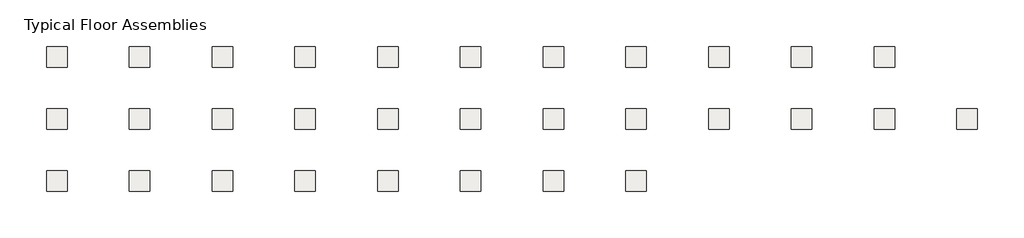
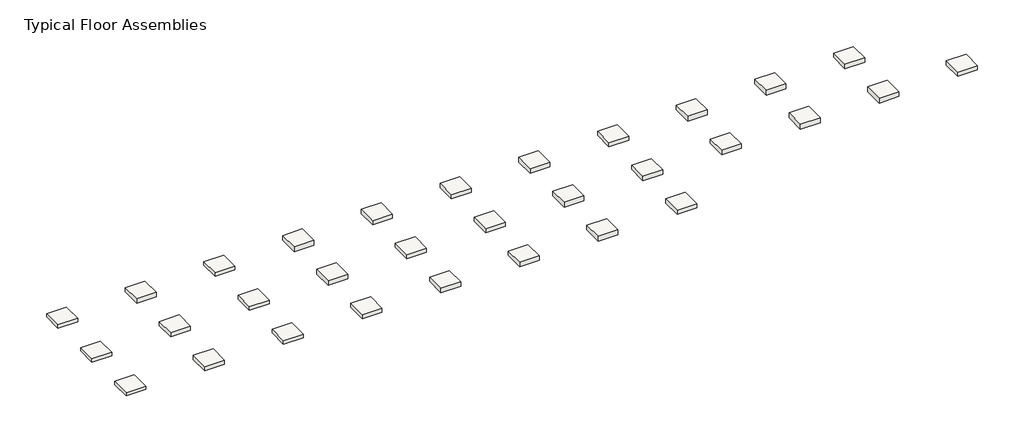
# One storey: 31 slabs.
"""IFC4 building model written with IfcOpenShell, lengths in millimetres."""

from ifc_helpers import new_model, si_unit, frame, origin, place, context, project, spatial, polyline, outline, extrude, element, save

model = new_model("IFC4")

# Units and contexts
model_context = context("Model", 3, world=origin())
ifc_project = project(units=[si_unit("LENGTHUNIT", "METRE", prefix="MILLI")], contexts=[model_context])

# Site, building, storey
site = spatial("IfcSite", under=ifc_project)
building = spatial("IfcBuilding", under=site)
storey = spatial("IfcBuildingStorey", under=building, Name="Typical Floor Assemblies", Elevation=3048.0)

# Slabs
placement = place(None, origin())
element("IfcSlab", 1, at=placement, inside=storey, context=model_context, shape_type="SweptSolid", body=[
    extrude(outline(polyline([(-20016.9713536, 9609.8857866), (-18492.9713536, 9609.8857866), (-18492.9713536, 8085.8857866), (-20016.9713536, 8085.8857866), (-20016.9713536, 9609.8857866)])), frame((0.0, 0.0, 2781.2999989), z_axis=(0.0, 0.0, 1.0), x_axis=(1.0, 0.0, 0.0)), (0.0, 0.0, 1.0), 266.7000011),
])
element("IfcSlab", 2, at=placement, inside=storey, context=model_context, shape_type="SweptSolid", body=[
    extrude(outline(polyline([(-13920.9713536, 9609.8857866), (-12396.9713536, 9609.8857866), (-12396.9713536, 8085.8857866), (-13920.9713536, 8085.8857866), (-13920.9713536, 9609.8857866)])), frame((0.0, 0.0, 2705.0999989), z_axis=(0.0, 0.0, 1.0), x_axis=(1.0, 0.0, 0.0)), (0.0, 0.0, 1.0), 342.9000011),
])
element("IfcSlab", 3, at=placement, inside=storey, context=model_context, shape_type="SweptSolid", body=[
    extrude(outline(polyline([(-7824.9713536, 9609.8857866), (-6300.9713536, 9609.8857866), (-6300.9713536, 8085.8857866), (-7824.9713536, 8085.8857866), (-7824.9713536, 9609.8857866)])), frame((0.0, 0.0, 2755.8999958), z_axis=(0.0, 0.0, 1.0), x_axis=(1.0, 0.0, 0.0)), (0.0, 0.0, 1.0), 292.1000042),
])
element("IfcSlab", 4, at=placement, inside=storey, context=model_context, shape_type="SweptSolid", body=[
    extrude(outline(polyline([(-1728.9713536, 9609.8857866), (-204.9713536, 9609.8857866), (-204.9713536, 8085.8857866), (-1728.9713536, 8085.8857866), (-1728.9713536, 9609.8857866)])), frame((0.0, 0.0, 2654.2999928), z_axis=(0.0, 0.0, 1.0), x_axis=(1.0, 0.0, 0.0)), (0.0, 0.0, 1.0), 393.7000072),
])
element("IfcSlab", 5, at=placement, inside=storey, context=model_context, shape_type="SweptSolid", body=[
    extrude(outline(polyline([(4367.0286464, 9609.8857866), (5891.0286464, 9609.8857866), (5891.0286464, 8085.8857866), (4367.0286464, 8085.8857866), (4367.0286464, 9609.8857866)])), frame((0.0, 0.0, 2705.0999989), z_axis=(0.0, 0.0, 1.0), x_axis=(1.0, 0.0, 0.0)), (0.0, 0.0, 1.0), 342.9000011),
])
element("IfcSlab", 6, at=placement, inside=storey, context=model_context, shape_type="SweptSolid", body=[
    extrude(outline(polyline([(10463.0286464, 9609.8857866), (11987.0286464, 9609.8857866), (11987.0286464, 8085.8857866), (10463.0286464, 8085.8857866), (10463.0286464, 9609.8857866)])), frame((0.0, 0.0, 2705.0999989), z_axis=(0.0, 0.0, 1.0), x_axis=(1.0, 0.0, 0.0)), (0.0, 0.0, 1.0), 342.9000011),
])
element("IfcSlab", 7, at=placement, inside=storey, context=model_context, shape_type="SweptSolid", body=[
    extrude(outline(polyline([(16559.0286464, 9609.8857866), (18083.0286464, 9609.8857866), (18083.0286464, 8085.8857866), (16559.0286464, 8085.8857866), (16559.0286464, 9609.8857866)])), frame((0.0, 0.0, 2654.2999928), z_axis=(0.0, 0.0, 1.0), x_axis=(1.0, 0.0, 0.0)), (0.0, 0.0, 1.0), 393.7000072),
])
element("IfcSlab", 8, at=placement, inside=storey, context=model_context, shape_type="SweptSolid", body=[
    extrude(outline(polyline([(22655.0286464, 9609.8857866), (24179.0286464, 9609.8857866), (24179.0286464, 8085.8857866), (22655.0286464, 8085.8857866), (22655.0286464, 9609.8857866)])), frame((0.0, 0.0, 2705.0999989), z_axis=(0.0, 0.0, 1.0), x_axis=(1.0, 0.0, 0.0)), (0.0, 0.0, 1.0), 342.9000011),
])
element("IfcSlab", 9, at=placement, inside=storey, context=model_context, shape_type="SweptSolid", body=[
    extrude(outline(polyline([(28751.0286464, 9609.8857866), (30275.0286464, 9609.8857866), (30275.0286464, 8085.8857866), (28751.0286464, 8085.8857866), (28751.0286464, 9609.8857866)])), frame((0.0, 0.0, 2654.2999928), z_axis=(0.0, 0.0, 1.0), x_axis=(1.0, 0.0, 0.0)), (0.0, 0.0, 1.0), 393.7000072),
])
element("IfcSlab", 10, at=placement, inside=storey, context=model_context, shape_type="SweptSolid", body=[
    extrude(outline(polyline([(34847.0286464, 9609.8857866), (36371.0286464, 9609.8857866), (36371.0286464, 8085.8857866), (34847.0286464, 8085.8857866), (34847.0286464, 9609.8857866)])), frame((0.0, 0.0, 2654.2999928), z_axis=(0.0, 0.0, 1.0), x_axis=(1.0, 0.0, 0.0)), (0.0, 0.0, 1.0), 393.7000072),
])
element("IfcSlab", 11, at=placement, inside=storey, context=model_context, shape_type="SweptSolid", body=[
    extrude(outline(polyline([(40943.0286464, 9609.8857866), (42467.0286464, 9609.8857866), (42467.0286464, 8085.8857866), (40943.0286464, 8085.8857866), (40943.0286464, 9609.8857866)])), frame((0.0, 0.0, 2705.0999989), z_axis=(0.0, 0.0, 1.0), x_axis=(1.0, 0.0, 0.0)), (0.0, 0.0, 1.0), 342.9000011),
])
element("IfcSlab", 12, at=placement, inside=storey, context=model_context, shape_type="SweptSolid", body=[
    extrude(outline(polyline([(-20016.9713536, 5037.8857866), (-18492.9713536, 5037.8857866), (-18492.9713536, 3513.8857866), (-20016.9713536, 3513.8857866), (-20016.9713536, 5037.8857866)])), frame((0.0, 0.0, 2781.2999989), z_axis=(0.0, 0.0, 1.0), x_axis=(1.0, 0.0, 0.0)), (0.0, 0.0, 1.0), 266.7000011),
])
element("IfcSlab", 13, at=placement, inside=storey, context=model_context, shape_type="SweptSolid", body=[
    extrude(outline(polyline([(-13920.9713536, 5037.8857866), (-12396.9713536, 5037.8857866), (-12396.9713536, 3513.8857866), (-13920.9713536, 3513.8857866), (-13920.9713536, 5037.8857866)])), frame((0.0, 0.0, 2705.0999989), z_axis=(0.0, 0.0, 1.0), x_axis=(1.0, 0.0, 0.0)), (0.0, 0.0, 1.0), 342.9000011),
])
element("IfcSlab", 14, at=placement, inside=storey, context=model_context, shape_type="SweptSolid", body=[
    extrude(outline(polyline([(-7824.9713536, 5037.8857866), (-6300.9713536, 5037.8857866), (-6300.9713536, 3513.8857866), (-7824.9713536, 3513.8857866), (-7824.9713536, 5037.8857866)])), frame((0.0, 0.0, 2755.8999958), z_axis=(0.0, 0.0, 1.0), x_axis=(1.0, 0.0, 0.0)), (0.0, 0.0, 1.0), 292.1000042),
])
element("IfcSlab", 15, at=placement, inside=storey, context=model_context, shape_type="SweptSolid", body=[
    extrude(outline(polyline([(-1728.9713536, 5037.8857866), (-204.9713536, 5037.8857866), (-204.9713536, 3513.8857866), (-1728.9713536, 3513.8857866), (-1728.9713536, 5037.8857866)])), frame((0.0, 0.0, 2654.2999928), z_axis=(0.0, 0.0, 1.0), x_axis=(1.0, 0.0, 0.0)), (0.0, 0.0, 1.0), 393.7000072),
])
element("IfcSlab", 16, at=placement, inside=storey, context=model_context, shape_type="SweptSolid", body=[
    extrude(outline(polyline([(4367.0286464, 5037.8857866), (5891.0286464, 5037.8857866), (5891.0286464, 3513.8857866), (4367.0286464, 3513.8857866), (4367.0286464, 5037.8857866)])), frame((0.0, 0.0, 2705.0999989), z_axis=(0.0, 0.0, 1.0), x_axis=(1.0, 0.0, 0.0)), (0.0, 0.0, 1.0), 342.9000011),
])
element("IfcSlab", 17, at=placement, inside=storey, context=model_context, shape_type="SweptSolid", body=[
    extrude(outline(polyline([(10463.0286464, 5037.8857866), (11987.0286464, 5037.8857866), (11987.0286464, 3513.8857866), (10463.0286464, 3513.8857866), (10463.0286464, 5037.8857866)])), frame((0.0, 0.0, 2705.0999989), z_axis=(0.0, 0.0, 1.0), x_axis=(1.0, 0.0, 0.0)), (0.0, 0.0, 1.0), 342.9000011),
])
element("IfcSlab", 18, at=placement, inside=storey, context=model_context, shape_type="SweptSolid", body=[
    extrude(outline(polyline([(16559.0286464, 5037.8857866), (18083.0286464, 5037.8857866), (18083.0286464, 3513.8857866), (16559.0286464, 3513.8857866), (16559.0286464, 5037.8857866)])), frame((0.0, 0.0, 2654.2999928), z_axis=(0.0, 0.0, 1.0), x_axis=(1.0, 0.0, 0.0)), (0.0, 0.0, 1.0), 393.7000072),
])
element("IfcSlab", 19, at=placement, inside=storey, context=model_context, shape_type="SweptSolid", body=[
    extrude(outline(polyline([(4367.0286464, 465.8857866), (5891.0286464, 465.8857866), (5891.0286464, -1058.1142134), (4367.0286464, -1058.1142134), (4367.0286464, 465.8857866)])), frame((0.0, 0.0, 2705.0999989), z_axis=(0.0, 0.0, 1.0), x_axis=(1.0, 0.0, 0.0)), (0.0, 0.0, 1.0), 342.9000011),
])
element("IfcSlab", 20, at=placement, inside=storey, context=model_context, shape_type="SweptSolid", body=[
    extrude(outline(polyline([(10463.0286464, 465.8857866), (11987.0286464, 465.8857866), (11987.0286464, -1058.1142134), (10463.0286464, -1058.1142134), (10463.0286464, 465.8857866)])), frame((0.0, 0.0, 2705.0999989), z_axis=(0.0, 0.0, 1.0), x_axis=(1.0, 0.0, 0.0)), (0.0, 0.0, 1.0), 342.9000011),
])
element("IfcSlab", 21, at=placement, inside=storey, context=model_context, shape_type="SweptSolid", body=[
    extrude(outline(polyline([(16559.0286464, 465.8857866), (18083.0286464, 465.8857866), (18083.0286464, -1058.1142134), (16559.0286464, -1058.1142134), (16559.0286464, 465.8857866)])), frame((0.0, 0.0, 2654.2999928), z_axis=(0.0, 0.0, 1.0), x_axis=(1.0, 0.0, 0.0)), (0.0, 0.0, 1.0), 393.7000072),
])
element("IfcSlab", 22, at=placement, inside=storey, context=model_context, shape_type="SweptSolid", body=[
    extrude(outline(polyline([(22655.0286464, 465.8857866), (24179.0286464, 465.8857866), (24179.0286464, -1058.1142134), (22655.0286464, -1058.1142134), (22655.0286464, 465.8857866)])), frame((0.0, 0.0, 2705.0999989), z_axis=(0.0, 0.0, 1.0), x_axis=(1.0, 0.0, 0.0)), (0.0, 0.0, 1.0), 342.9000011),
])
element("IfcSlab", 23, at=placement, inside=storey, context=model_context, shape_type="SweptSolid", body=[
    extrude(outline(polyline([(22655.0286464, 5037.8857866), (24179.0286464, 5037.8857866), (24179.0286464, 3513.8857866), (22655.0286464, 3513.8857866), (22655.0286464, 5037.8857866)])), frame((0.0, 0.0, 2705.0999989), z_axis=(0.0, 0.0, 1.0), x_axis=(1.0, 0.0, 0.0)), (0.0, 0.0, 1.0), 342.9000011),
])
element("IfcSlab", 24, at=placement, inside=storey, context=model_context, shape_type="SweptSolid", body=[
    extrude(outline(polyline([(28751.0286464, 5037.8857866), (30275.0286464, 5037.8857866), (30275.0286464, 3513.8857866), (28751.0286464, 3513.8857866), (28751.0286464, 5037.8857866)])), frame((0.0, 0.0, 2705.0999989), z_axis=(0.0, 0.0, 1.0), x_axis=(1.0, 0.0, 0.0)), (0.0, 0.0, 1.0), 342.9000011),
])
element("IfcSlab", 25, at=placement, inside=storey, context=model_context, shape_type="SweptSolid", body=[
    extrude(outline(polyline([(34847.0286464, 5037.8857866), (36371.0286464, 5037.8857866), (36371.0286464, 3513.8857866), (34847.0286464, 3513.8857866), (34847.0286464, 5037.8857866)])), frame((0.0, 0.0, 2654.2999928), z_axis=(0.0, 0.0, 1.0), x_axis=(1.0, 0.0, 0.0)), (0.0, 0.0, 1.0), 393.7000072),
])
element("IfcSlab", 26, at=placement, inside=storey, context=model_context, shape_type="SweptSolid", body=[
    extrude(outline(polyline([(40943.0286464, 5037.8857866), (42467.0286464, 5037.8857866), (42467.0286464, 3513.8857866), (40943.0286464, 3513.8857866), (40943.0286464, 5037.8857866)])), frame((0.0, 0.0, 2654.2999928), z_axis=(0.0, 0.0, 1.0), x_axis=(1.0, 0.0, 0.0)), (0.0, 0.0, 1.0), 393.7000072),
])
element("IfcSlab", 27, at=placement, inside=storey, context=model_context, shape_type="SweptSolid", body=[
    extrude(outline(polyline([(47039.0286464, 5037.8857866), (48563.0286464, 5037.8857866), (48563.0286464, 3513.8857866), (47039.0286464, 3513.8857866), (47039.0286464, 5037.8857866)])), frame((0.0, 0.0, 2705.0999989), z_axis=(0.0, 0.0, 1.0), x_axis=(1.0, 0.0, 0.0)), (0.0, 0.0, 1.0), 342.9000011),
])
element("IfcSlab", 28, at=placement, inside=storey, context=model_context, shape_type="SweptSolid", body=[
    extrude(outline(polyline([(-20016.9713536, 465.8857866), (-18492.9713536, 465.8857866), (-18492.9713536, -1058.1142134), (-20016.9713536, -1058.1142134), (-20016.9713536, 465.8857866)])), frame((0.0, 0.0, 2781.2999989), z_axis=(0.0, 0.0, 1.0), x_axis=(1.0, 0.0, 0.0)), (0.0, 0.0, 1.0), 266.7000011),
])
element("IfcSlab", 29, at=placement, inside=storey, context=model_context, shape_type="SweptSolid", body=[
    extrude(outline(polyline([(-13920.9713536, 465.8857866), (-12396.9713536, 465.8857866), (-12396.9713536, -1058.1142134), (-13920.9713536, -1058.1142134), (-13920.9713536, 465.8857866)])), frame((0.0, 0.0, 2705.0999989), z_axis=(0.0, 0.0, 1.0), x_axis=(1.0, 0.0, 0.0)), (0.0, 0.0, 1.0), 342.9000011),
])
element("IfcSlab", 30, at=placement, inside=storey, context=model_context, shape_type="SweptSolid", body=[
    extrude(outline(polyline([(-7824.9713536, 465.8857866), (-6300.9713536, 465.8857866), (-6300.9713536, -1058.1142134), (-7824.9713536, -1058.1142134), (-7824.9713536, 465.8857866)])), frame((0.0, 0.0, 2755.8999958), z_axis=(0.0, 0.0, 1.0), x_axis=(1.0, 0.0, 0.0)), (0.0, 0.0, 1.0), 292.1000042),
])
element("IfcSlab", 31, at=placement, inside=storey, context=model_context, shape_type="SweptSolid", body=[
    extrude(outline(polyline([(-1728.9713536, 465.8857866), (-204.9713536, 465.8857866), (-204.9713536, -1058.1142134), (-1728.9713536, -1058.1142134), (-1728.9713536, 465.8857866)])), frame((0.0, 0.0, 2705.0999989), z_axis=(0.0, 0.0, 1.0), x_axis=(1.0, 0.0, 0.0)), (0.0, 0.0, 1.0), 342.9000011),
])

save(model, "model.ifc")
